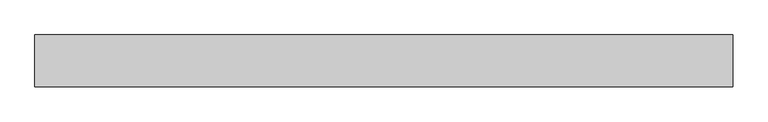
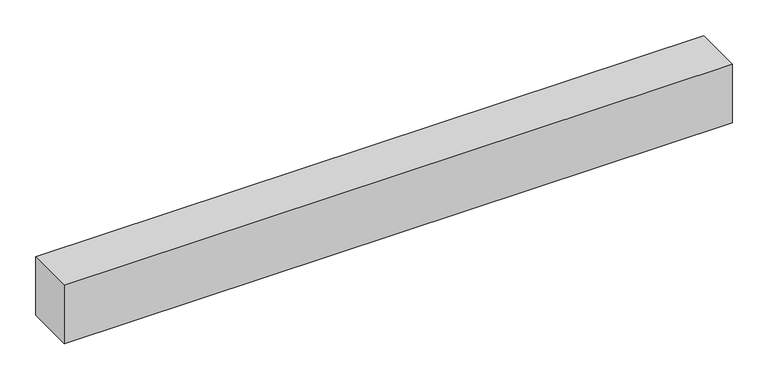
"""IFC4 building model written with IfcOpenShell, lengths in millimetres: proxy geometry."""

from ifc_helpers import new_model, si_unit, origin, origin_with_axes, place, context, project, spatial, polyline, outline, extrude, source, transform, mapped, element, save


def generic_models_6ebffd09(model_context):
    return source(origin(), model_context, "Body", "SweptSolid", [
        extrude(outline(polyline([(1080.0, -40.0), (0.0, -40.0), (0.0, 40.0), (1080.0, 40.0), (1080.0, -40.0)])), origin_with_axes(), (0.0, 0.0, 1.0), 100.0),
    ])


if __name__ == "__main__":
    model = new_model("IFC4")
    model_context = context("Model", 3, world=origin())
    ifc_project = project(units=[si_unit("LENGTHUNIT", "METRE", prefix="MILLI")], contexts=[model_context])
    site = spatial("IfcSite", under=ifc_project)
    building = spatial("IfcBuilding", under=site)
    placement = place(None, origin())
    generic_models_shape = generic_models_6ebffd09(model_context)
    element("IfcBuildingElementProxy", 1, Name="Generic Models", at=placement, inside=building, context=model_context, shape_type="MappedRepresentation", body=[
        mapped(generic_models_shape, transform((0.0, 0.0, 0.0), x_axis=(1.0, 0.0, 0.0), y_axis=(0.0, 1.0, 0.0), z_axis=(0.0, 0.0, 1.0))),
    ])
    save(model, "model.ifc")
